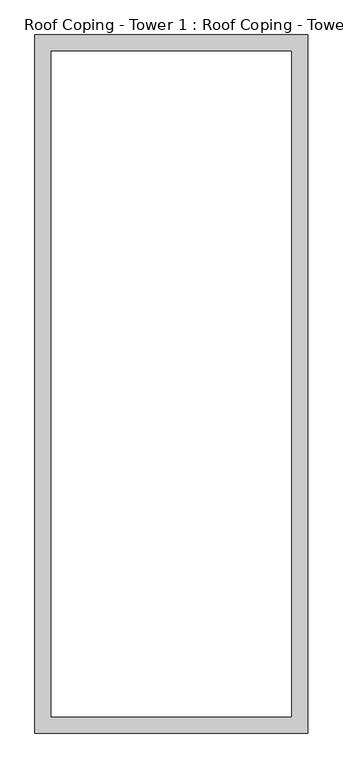
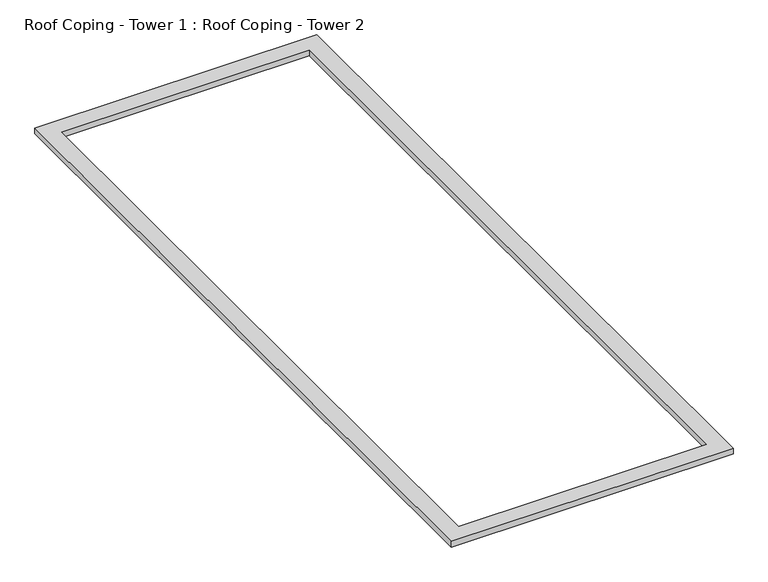
"""IFC4 building model written with IfcOpenShell, lengths in millimetres: proxy geometry, Roof Coping - Tower 1 : Roof Coping - Tower 2."""

from ifc_helpers import new_model, si_unit, origin, place, context, project, spatial, faceted_brep, source, transform, mapped, element, save


def roof_coping_tower_1_roof_coping_tower_2_28112a04(model_context):
    return source(origin(), model_context, "Body", "Brep", [
        faceted_brep([(-62217.9348085, -24727.2248986, 17500.0), (-62217.9348085, -24727.2248986, 17410.0), (-57582.5749186, -24727.2248986, 17410.0), (-57582.5749186, -24727.2248986, 17500.0), (-62492.9348085, -25002.2248986, 17410.0), (-62492.9348085, -25002.2248986, 17500.0), (-57307.5749186, -25002.2248986, 17500.0), (-57307.5749186, -25002.2248986, 17410.0), (-62512.9348085, -25022.2248986, 17520.0), (-62512.9348085, -25022.2248986, 17410.0), (-57287.5749186, -25022.2248986, 17410.0), (-57287.5749186, -25022.2248986, 17520.0), (-62197.9348085, -24707.2248986, 17410.0), (-62197.9348085, -24707.2248986, 17520.0), (-57602.5749186, -24707.2248986, 17520.0), (-57602.5749186, -24707.2248986, 17410.0), (-57582.5749186, -11939.7248986, 17410.0), (-57582.5749186, -11939.7248986, 17500.0), (-57307.5749186, -11664.7248986, 17500.0), (-57307.5749186, -11664.7248986, 17410.0), (-57287.5749186, -11644.7248986, 17410.0), (-57287.5749186, -11644.7248986, 17520.0), (-57602.5749186, -11959.7248986, 17520.0), (-57602.5749186, -11959.7248986, 17410.0), (-62217.9348085, -11939.7248986, 17410.0), (-62217.9348085, -11939.7248986, 17500.0), (-62492.9348085, -11664.7248986, 17500.0), (-62492.9348085, -11664.7248986, 17410.0), (-62512.9348085, -11644.7248986, 17410.0), (-62512.9348085, -11644.7248986, 17520.0), (-62197.9348085, -11959.7248986, 17520.0), (-62197.9348085, -11959.7248986, 17410.0)], [[[0, 1, 2, 3]], [[4, 5, 6, 7]], [[8, 9, 10, 11]], [[12, 13, 14, 15]], [[3, 2, 16, 17]], [[7, 6, 18, 19]], [[11, 10, 20, 21]], [[15, 14, 22, 23]], [[17, 16, 24, 25]], [[19, 18, 26, 27]], [[21, 20, 28, 29]], [[23, 22, 30, 31]], [[25, 24, 1, 0]], [[5, 26, 18, 6], [3, 17, 25, 0]], [[27, 26, 5, 4]], [[9, 28, 20, 10], [7, 19, 27, 4]], [[29, 28, 9, 8]], [[11, 21, 29, 8], [13, 30, 22, 14]], [[31, 30, 13, 12]], [[1, 24, 16, 2], [15, 23, 31, 12]]]),
    ])


if __name__ == "__main__":
    model = new_model("IFC4")
    model_context = context("Model", 3, world=origin())
    ifc_project = project(units=[si_unit("LENGTHUNIT", "METRE", prefix="MILLI")], contexts=[model_context])
    site = spatial("IfcSite", under=ifc_project)
    building = spatial("IfcBuilding", under=site)
    placement = place(None, origin())
    roof_coping_tower_1_roof_coping_tower_2_shape = roof_coping_tower_1_roof_coping_tower_2_28112a04(model_context)
    element("IfcBuildingElementProxy", 1, Name="Roof Coping - Tower 1 : Roof Coping - Tower 2", ObjectType="Roof Coping - Tower 1 : Roof Coping - Tower 2", at=placement, inside=building, context=model_context, shape_type="MappedRepresentation", body=[
        mapped(roof_coping_tower_1_roof_coping_tower_2_shape, transform((0.0, 0.0, 0.0), x_axis=(1.0, 0.0, 0.0), y_axis=(0.0, 1.0, 0.0), z_axis=(0.0, 0.0, 1.0))),
    ])
    save(model, "model.ifc")
